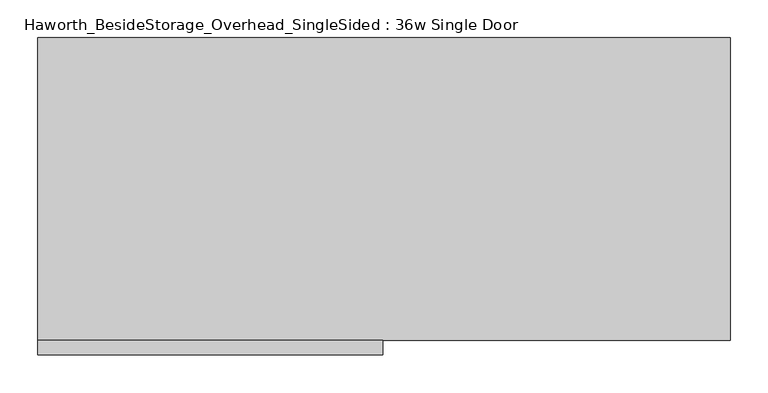
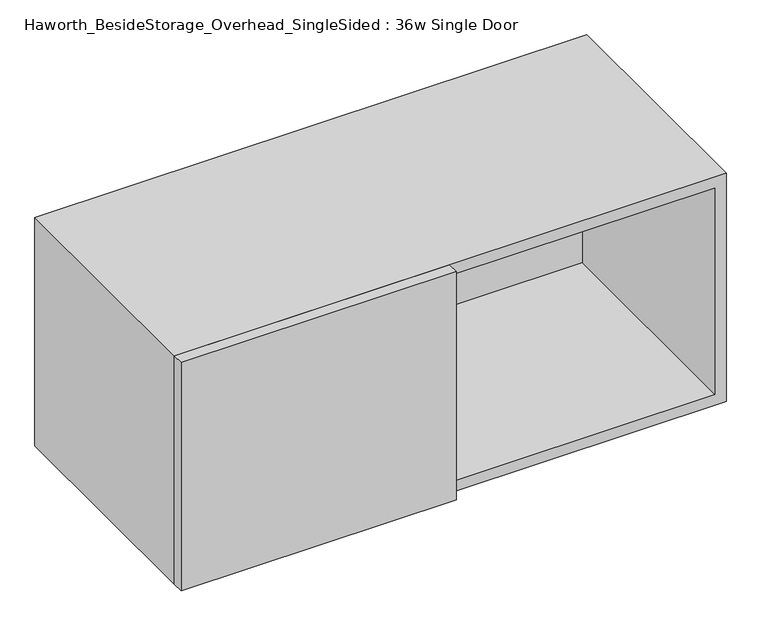
"""IFC4 building model written with IfcOpenShell, lengths in millimetres: furniture geometry, Haworth_BesideStorage_Overhead_SingleSided : 36w Single Door."""

from ifc_helpers import new_model, si_unit, frame, origin, place, context, project, spatial, polyline, outline, extrude, source, transform, mapped, element, save


def haworth_besidestorage_overhead_singlesided_36w_single_door_73c49006(model_context):
    return source(origin(), model_context, "Body", "SweptSolid", [
        extrude(outline(polyline([(163.5125, -419.1), (-292.1, -419.1), (-292.1, -400.05), (163.5125, -400.05), (163.5125, -419.1)])), frame((0.0, 0.0, 762.0), z_axis=(0.0, 0.0, 1.0), x_axis=(1.0, 0.0, 0.0)), (0.0, 0.0, 1.0), 400.05),
        extrude(outline(polyline([(174.625, -400.05), (155.575, -400.05), (155.575, -19.05), (174.625, -19.05), (174.625, -400.05)])), frame((0.0, 0.0, 781.05), z_axis=(0.0, 0.0, 1.0), x_axis=(1.0, 0.0, 0.0)), (0.0, 0.0, 1.0), 361.95),
        extrude(outline(polyline([(603.25, -19.05), (-273.05, -19.05), (-273.05, 0.0), (603.25, 0.0), (603.25, -19.05)])), frame((0.0, 0.0, 781.05), z_axis=(0.0, 0.0, 1.0), x_axis=(1.0, 0.0, 0.0)), (0.0, 0.0, 1.0), 361.95),
        extrude(outline(polyline([(762.0, 622.3), (1162.05, 622.3), (1162.05, -292.1), (762.0, -292.1), (762.0, 622.3)]), holes=[polyline([(1143.0, 603.25), (781.05, 603.25), (781.05, -273.05), (1143.0, -273.05), (1143.0, 603.25)])]), frame((0.0, -400.05, 0.0), z_axis=(0.0, 1.0, 0.0), x_axis=(0.0, 0.0, 1.0)), (0.0, 0.0, 1.0), 400.05),
    ])


if __name__ == "__main__":
    model = new_model("IFC4")
    model_context = context("Model", 3, world=origin())
    ifc_project = project(units=[si_unit("LENGTHUNIT", "METRE", prefix="MILLI")], contexts=[model_context])
    site = spatial("IfcSite", under=ifc_project)
    building = spatial("IfcBuilding", under=site)
    placement = place(None, origin())
    haworth_besidestorage_overhead_singlesided_36w_single_door_shape = haworth_besidestorage_overhead_singlesided_36w_single_door_73c49006(model_context)
    element("IfcFurniture", 1, ObjectType="Haworth_BesideStorage_Overhead_SingleSided : 36w Single Door", at=placement, inside=building, context=model_context, shape_type="MappedRepresentation", body=[
        mapped(haworth_besidestorage_overhead_singlesided_36w_single_door_shape, transform((0.0, 0.0, 0.0), x_axis=(1.0, 0.0, 0.0), y_axis=(0.0, 1.0, 0.0), z_axis=(0.0, 0.0, 1.0))),
    ])
    save(model, "model.ifc")
